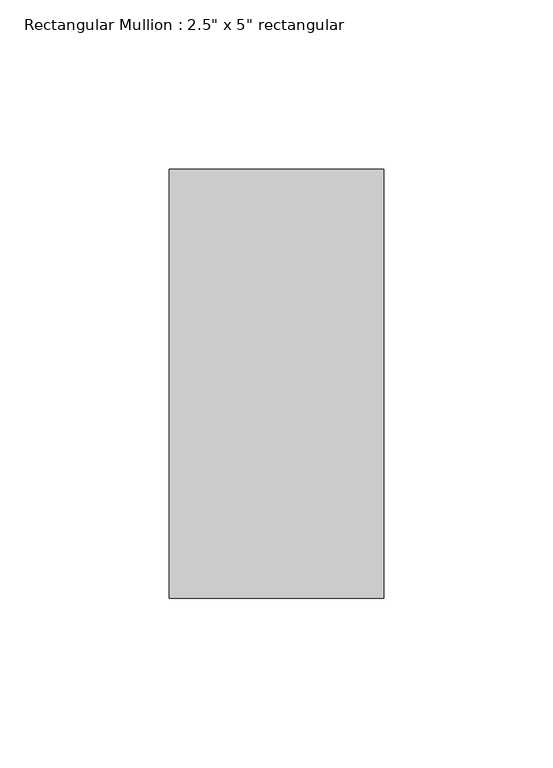
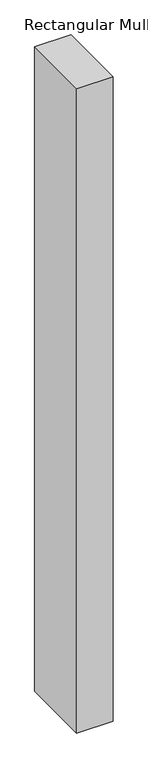
"""IFC4 building model written with IfcOpenShell, lengths in millimetres: member geometry."""

from ifc_helpers import new_model, si_unit, frame, origin, place, context, project, spatial, polyline, outline, extrude, source, transform, mapped, element, save


def member_69516ad2(model_context):
    return source(origin(), model_context, "Body", "SweptSolid", [
        extrude(outline(polyline([(31.75, 63.5), (31.75, -63.5), (-31.75, -63.5), (-31.75, 63.5), (31.75, 63.5)])), frame((0.0, 0.0, -1189.0375), z_axis=(0.0, 0.0, 1.0), x_axis=(1.0, 0.0, 0.0)), (0.0, 0.0, 1.0), 1189.0375),
    ])


if __name__ == "__main__":
    model = new_model("IFC4")
    model_context = context("Model", 3, world=origin())
    ifc_project = project(units=[si_unit("LENGTHUNIT", "METRE", prefix="MILLI")], contexts=[model_context])
    site = spatial("IfcSite", under=ifc_project)
    building = spatial("IfcBuilding", under=site)
    placement = place(None, origin())
    member_shape = member_69516ad2(model_context)
    element("IfcMember", 1, ObjectType="Rectangular Mullion : 2.5\" x 5\" rectangular", at=placement, inside=building, context=model_context, shape_type="MappedRepresentation", body=[
        mapped(member_shape, transform((0.0, 0.0, 0.0), x_axis=(1.0, 0.0, 0.0), y_axis=(0.0, 1.0, 0.0), z_axis=(0.0, 0.0, 1.0))),
    ])
    save(model, "model.ifc")
